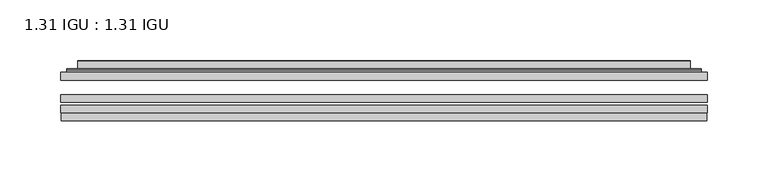
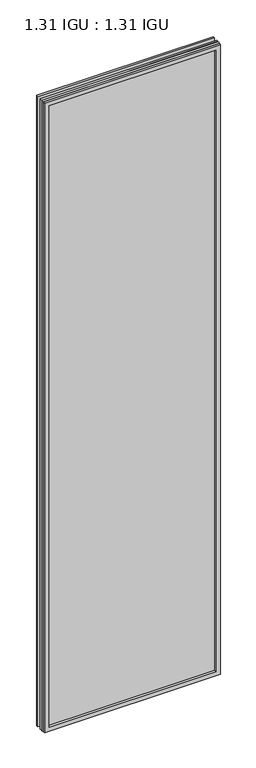
"""IFC4 building model written with IfcOpenShell, lengths in millimetres: plate geometry, 1.31 IGU : 1.31 IGU."""

from ifc_helpers import new_model, si_unit, frame, origin, place, context, project, spatial, polyline, ellipse_curve, outline, extrude, faceted_brep, source, transform, mapped, element, save
from ifc_brep_helpers import plane_surface, cylinder_surface, advanced_brep


def plate_1_31_igu_1_31_igu_45f5b195(model_context):
    return source(origin(), model_context, "Body", "SolidModel", [
        extrude(outline(polyline([(266.714175, -63.59525), (266.714175, -69.94525), (-266.7, -69.94525), (-266.7, -63.59525), (266.714175, -63.59525)])), frame((0.0, 0.0, -14.2875), z_axis=(0.0, 0.0, 1.0), x_axis=(1.0, 0.0, 0.0)), (0.0, 0.0, 1.0), 2009.8015278),
        extrude(outline(polyline([(-266.7, -78.58125), (-266.7, -72.230745), (266.714175, -72.230745), (266.714175, -78.58125), (-266.7, -78.58125)])), frame((0.0, 0.0, -14.2875), z_axis=(0.0, 0.0, 1.0), x_axis=(1.0, 0.0, 0.0)), (0.0, 0.0, 1.0), 2009.8015278),
        extrude(outline(polyline([(266.714175, -45.25645), (266.714175, -51.60645), (-266.7, -51.60645), (-266.7, -45.25645), (266.714175, -45.25645)])), frame((0.0, 0.0, -14.2875), z_axis=(0.0, 0.0, 1.0), x_axis=(1.0, 0.0, 0.0)), (0.0, 0.0, 1.0), 2009.8015278),
        faceted_brep([(-265.9998142, -84.93125, 1994.8100441), (-265.9998142, -78.58125, 1994.8100441), (-265.9998142, -78.58125, -13.5873142), (-265.9998142, -84.93125, -13.5873142), (265.9998142, -78.58125, -13.5873142), (265.9998142, -84.93125, -13.5873142), (265.9998142, -78.58125, 1994.8100441), (265.9998142, -84.93125, 1994.8100441), (-251.5147559, -78.58125, 0.8977441), (251.5147559, -78.58125, 0.8977441), (251.5147559, -78.58125, 1980.3249858), (-251.5147559, -78.58125, 1980.3249858), (-252.4071902, -84.93125, 1981.2174201), (252.4071902, -84.93125, 1981.2174201), (252.4071902, -84.93125, 0.0053098), (-252.4071902, -84.93125, 0.0053098)], [[[0, 1, 2, 3]], [[3, 2, 4, 5]], [[5, 4, 6, 7]], [[1, 6, 4, 2], [8, 9, 10, 11]], [[7, 6, 1, 0]], [[3, 5, 7, 0], [12, 13, 14, 15]], [[11, 12, 15, 8]], [[8, 15, 14, 9]], [[9, 14, 13, 10]], [[10, 13, 12, 11]]]),
        advanced_brep(
        [(-259.458719, -45.25645, 1988.2689489), (-261.8129244, -43.2667833, 1990.6231543), (-261.8129244, -43.2667833, -9.4004244), (-259.458719, -45.25645, -7.046219), (-250.3843939, -41.416413, 1979.1946238), (-245.4495621, -45.25645, 1974.2597919), (-245.4495621, -45.25645, 6.9629379), (-250.3843939, -41.416413, 2.0281061), (-251.4164217, -36.0191819, 1980.2266515), (-251.4164217, -36.0191819, 0.9960783), (-252.4070784, -35.6202069, 1981.2173083), (-252.4070784, -35.6202069, 0.0054216), (-252.4070784, -42.08145, 1981.2173083), (-252.4070784, -42.08145, 0.0054216), (-260.8111349, -42.08145, 1989.6213648), (-260.8111349, -42.08145, -8.3986349), (261.8129244, -43.2667833, -9.4004244), (259.458719, -45.25645, -7.046219), (245.4495621, -45.25645, 6.9629379), (250.3843939, -41.416413, 2.0281061), (251.4164217, -36.0191819, 0.9960783), (252.4070784, -35.6202069, 0.0054216), (252.4070784, -42.08145, 0.0054216), (260.8111349, -42.08145, -8.3986349), (261.8129244, -43.2667833, 1990.6231543), (259.458719, -45.25645, 1988.2689489), (245.4495621, -45.25645, 1974.2597919), (250.3843939, -41.416413, 1979.1946238), (251.4164217, -36.0191819, 1980.2266515), (252.4070784, -35.6202069, 1981.2173083), (252.4070784, -42.08145, 1981.2173083), (260.8111349, -42.08145, 1989.6213648)],
        [
            (0, 1, ellipse_curve(frame((-259.458719, -42.86885, 1988.2689489), z_axis=(-0.7071067811865475, 0.0, -0.7071067811865475), x_axis=(-0.7071067811865474, 0.0, 0.7071067811865476)), 3.3765763, 2.3876)),
            (1, 2),
            (2, 3, ellipse_curve(frame((-259.458719, -42.86885, -7.046219), z_axis=(-0.7071067811865475, 0.0, 0.7071067811865475), x_axis=(0.7071067811865474, 0.0, 0.7071067811865476)), 3.3765763, 2.3876)),
            (3, 0),
            (4, 5),
            (5, 6),
            (6, 7),
            (7, 4),
            (8, 4),
            (7, 9),
            (9, 8),
            (10, 8, ellipse_curve(frame((-252.0401219, -36.1384423, 1980.8503517), z_axis=(-0.7071067811865475, 0.0, -0.7071067811865475), x_axis=(-0.7071067811865474, 0.0, 0.7071067811865476)), 0.8980256, 0.635)),
            (9, 11, ellipse_curve(frame((-252.0401219, -36.1384423, 0.3723781), z_axis=(-0.7071067811865475, 0.0, 0.7071067811865475), x_axis=(0.7071067811865474, 0.0, 0.7071067811865476)), 0.8980256, 0.635)),
            (11, 10),
            (12, 10),
            (11, 13),
            (13, 12),
            (1, 14, ellipse_curve(frame((-260.8111349, -43.09745, 1989.6213648), z_axis=(-0.7071067811865475, 0.0, -0.7071067811865475), x_axis=(-0.7071067811865474, 0.0, 0.7071067811865476)), 1.436841, 1.016)),
            (14, 15),
            (15, 2, ellipse_curve(frame((-260.8111349, -43.09745, -8.3986349), z_axis=(-0.7071067811865475, 0.0, 0.7071067811865475), x_axis=(0.7071067811865474, 0.0, 0.7071067811865476)), 1.436841, 1.016)),
            (2, 16),
            (16, 17, ellipse_curve(frame((259.458719, -42.86885, -7.046219), z_axis=(-0.7071067811865475, 0.0, -0.7071067811865475), x_axis=(-0.7071067811865476, 0.0, 0.7071067811865474)), 3.3765763, 2.3876)),
            (17, 3),
            (6, 18),
            (18, 19),
            (19, 7),
            (19, 20),
            (20, 9),
            (20, 21, ellipse_curve(frame((252.0401219, -36.1384423, 0.3723781), z_axis=(-0.7071067811865475, 0.0, -0.7071067811865475), x_axis=(-0.7071067811865476, 0.0, 0.7071067811865474)), 0.8980256, 0.635)),
            (21, 11),
            (21, 22),
            (22, 13),
            (15, 23),
            (23, 16, ellipse_curve(frame((260.8111349, -43.09745, -8.3986349), z_axis=(-0.7071067811865475, 0.0, -0.7071067811865475), x_axis=(-0.7071067811865476, 0.0, 0.7071067811865474)), 1.436841, 1.016)),
            (16, 24),
            (24, 25, ellipse_curve(frame((259.458719, -42.86885, 1988.2689489), z_axis=(0.7071067811865475, 0.0, -0.7071067811865475), x_axis=(-0.7071067811865474, 0.0, -0.7071067811865476)), 3.3765763, 2.3876)),
            (25, 17),
            (18, 26),
            (26, 27),
            (27, 19),
            (27, 28),
            (28, 20),
            (28, 29, ellipse_curve(frame((252.0401219, -36.1384423, 1980.8503517), z_axis=(0.7071067811865475, 0.0, -0.7071067811865475), x_axis=(-0.7071067811865474, 0.0, -0.7071067811865476)), 0.8980256, 0.635)),
            (29, 21),
            (29, 30),
            (30, 22),
            (23, 31),
            (31, 24, ellipse_curve(frame((260.8111349, -43.09745, 1989.6213648), z_axis=(0.7071067811865475, 0.0, -0.7071067811865475), x_axis=(-0.7071067811865474, 0.0, -0.7071067811865476)), 1.436841, 1.016)),
            (24, 1),
            (0, 25),
            (5, 26),
            (4, 27),
            (8, 28),
            (10, 29),
            (12, 30),
            (14, 31),
        ],
        [
            cylinder_surface(frame((-259.458719, -42.86885, 2012.9727299), z_axis=(0.0, 0.0, 1.0), x_axis=(-1.0, 0.0, 0.0)), 2.3876),
            plane_surface(frame((-245.4495621, -45.25645, 1974.2597919), z_axis=(0.6141233906514794, 0.7892100234124821, 0.0), x_axis=(0.0, 0.0, -1.0))),
            plane_surface(frame((-250.3843939, -41.416413, 1979.1946238), z_axis=(0.9822050625507729, 0.18781164793386076, 0.0), x_axis=(0.0, 0.0, -1.0))),
            cylinder_surface(frame((-252.0401219, -36.1384423, 2012.9727299), z_axis=(0.0, 0.0, 1.0), x_axis=(-1.0, 0.0, 0.0)), 0.635),
            plane_surface(frame((-252.4070784, -35.6202069, 1981.2173083), z_axis=(-1.0, 0.0, 0.0), x_axis=(0.0, 0.0, -1.0))),
            cylinder_surface(frame((-260.8111349, -43.09745, 2012.9727299), z_axis=(0.0, 0.0, 1.0), x_axis=(-1.0, 0.0, 0.0)), 1.016),
            cylinder_surface(frame((-284.1625, -42.86885, -7.046219), z_axis=(-1.0, 0.0, 0.0), x_axis=(0.0, 0.0, -1.0)), 2.3876),
            plane_surface(frame((-245.4495621, -45.25645, 6.9629379), z_axis=(0.0, 0.7892100234124841, 0.6141233906514768), x_axis=(1.0, 0.0, 0.0))),
            plane_surface(frame((-250.3843939, -41.416413, 2.0281061), z_axis=(0.0, 0.18781164793386393, 0.9822050625507723), x_axis=(1.0, 0.0, 0.0))),
            cylinder_surface(frame((-284.1625, -36.1384423, 0.3723781), z_axis=(-1.0, 0.0, 0.0), x_axis=(0.0, 0.0, -1.0)), 0.635),
            plane_surface(frame((-252.4070784, -35.6202069, 0.0054216), z_axis=(0.0, 0.0, -1.0), x_axis=(1.0, 0.0, 0.0))),
            cylinder_surface(frame((-284.1625, -43.09745, -8.3986349), z_axis=(-1.0, 0.0, 0.0), x_axis=(0.0, 0.0, -1.0)), 1.016),
            cylinder_surface(frame((259.458719, -42.86885, -31.75), z_axis=(0.0, 0.0, -1.0), x_axis=(1.0, 0.0, 0.0)), 2.3876),
            plane_surface(frame((245.4495621, -45.25645, 6.9629379), z_axis=(-0.6141233906514743, 0.7892100234124861, 0.0), x_axis=(0.0, 0.0, 1.0))),
            plane_surface(frame((250.3843939, -41.416413, 2.0281061), z_axis=(-0.9822050625507718, 0.1878116479338671, 0.0), x_axis=(0.0, 0.0, 1.0))),
            cylinder_surface(frame((252.0401219, -36.1384423, -31.75), z_axis=(0.0, 0.0, -1.0), x_axis=(1.0, 0.0, 0.0)), 0.635),
            plane_surface(frame((252.4070784, -35.6202069, 0.0054216), z_axis=(1.0, 0.0, 0.0), x_axis=(0.0, 0.0, 1.0))),
            cylinder_surface(frame((260.8111349, -43.09745, -31.75), z_axis=(0.0, 0.0, -1.0), x_axis=(1.0, 0.0, 0.0)), 1.016),
            cylinder_surface(frame((284.1625, -42.86885, 1988.2689489), z_axis=(1.0, 0.0, 0.0), x_axis=(0.0, 0.0, 1.0)), 2.3876),
            plane_surface(frame((259.458719, -45.25645, 1988.2689489), z_axis=(0.0, -1.0, 0.0), x_axis=(-1.0, 0.0, 0.0))),
            plane_surface(frame((245.4495621, -45.25645, 1974.2597919), z_axis=(0.0, 0.7892100234124841, -0.6141233906514768), x_axis=(-1.0, 0.0, 0.0))),
            plane_surface(frame((250.3843939, -41.416413, 1979.1946238), z_axis=(0.0, 0.18781164793386393, -0.9822050625507723), x_axis=(-1.0, 0.0, 0.0))),
            cylinder_surface(frame((284.1625, -36.1384423, 1980.8503517), z_axis=(1.0, 0.0, 0.0), x_axis=(0.0, 0.0, 1.0)), 0.635),
            plane_surface(frame((252.4070784, -35.6202069, 1981.2173083), z_axis=(0.0, 0.0, 1.0), x_axis=(-1.0, 0.0, 0.0))),
            plane_surface(frame((252.4070784, -42.08145, 1981.2173083), z_axis=(0.0, 1.0, 0.0), x_axis=(-1.0, 0.0, 0.0))),
            cylinder_surface(frame((284.1625, -43.09745, 1989.6213648), z_axis=(1.0, 0.0, 0.0), x_axis=(0.0, 0.0, 1.0)), 1.016),
        ],
        [
            (0, [[1, 2, 3, 4]]),
            (1, [[5, 6, 7, 8]]),
            (2, [[9, -8, 10, 11]]),
            (3, [[12, -11, 13, 14]]),
            (4, [[15, -14, 16, 17]]),
            (5, [[18, 19, 20, -2]]),
            (6, [[-3, 21, 22, 23]]),
            (7, [[-7, 24, 25, 26]]),
            (8, [[-10, -26, 27, 28]]),
            (9, [[-13, -28, 29, 30]]),
            (10, [[-16, -30, 31, 32]]),
            (11, [[-20, 33, 34, -21]]),
            (12, [[-22, 35, 36, 37]]),
            (13, [[-25, 38, 39, 40]]),
            (14, [[-27, -40, 41, 42]]),
            (15, [[-29, -42, 43, 44]]),
            (16, [[-31, -44, 45, 46]]),
            (17, [[-34, 47, 48, -35]]),
            (18, [[-36, 49, -1, 50]]),
            (19, [[-23, -37, -50, -4], [51, -38, -24, -6]]),
            (20, [[-39, -51, -5, 52]]),
            (21, [[-41, -52, -9, 53]]),
            (22, [[-43, -53, -12, 54]]),
            (23, [[-45, -54, -15, 55]]),
            (24, [[56, -47, -33, -19], [-32, -46, -55, -17]]),
            (25, [[-48, -56, -18, -49]]),
        ],
    ),
    ])


if __name__ == "__main__":
    model = new_model("IFC4")
    model_context = context("Model", 3, world=origin())
    ifc_project = project(units=[si_unit("LENGTHUNIT", "METRE", prefix="MILLI")], contexts=[model_context])
    site = spatial("IfcSite", under=ifc_project)
    building = spatial("IfcBuilding", under=site)
    placement = place(None, origin())
    plate_1_31_igu_1_31_igu_shape = plate_1_31_igu_1_31_igu_45f5b195(model_context)
    element("IfcPlate", 1, ObjectType="1.31 IGU : 1.31 IGU", at=placement, inside=building, context=model_context, shape_type="MappedRepresentation", body=[
        mapped(plate_1_31_igu_1_31_igu_shape, transform((0.0, 0.0, 0.0), x_axis=(1.0, 0.0, 0.0), y_axis=(0.0, 1.0, 0.0), z_axis=(0.0, 0.0, 1.0))),
    ])
    save(model, "model.ifc")
